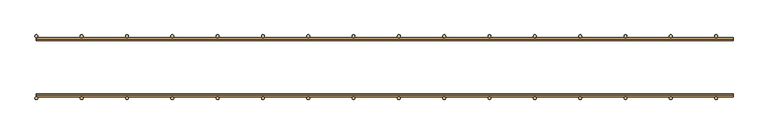
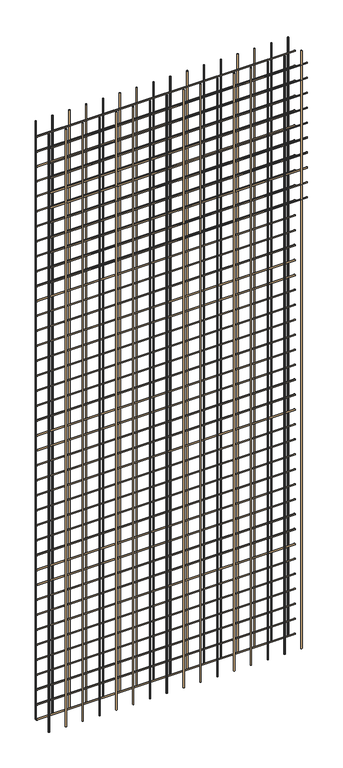
"""IFC4 building model written with IfcOpenShell, lengths in millimetres: door geometry."""

from ifc_helpers import new_model, si_unit, point, frame, frame_2d, origin, origin_with_axes, place, context, project, spatial, circle_curve, trimmed, segment, composite_curve, outline, extrude, source, transform, mapped, element, save


def door_e09a92c0(model_context):
    return source(origin(), model_context, "Body", "SweptSolid", [
        extrude(outline(composite_curve([segment(trimmed(circle_curve(frame_2d((600.0, 54.9288767)), 2.4876096), [point((602.4876096, 54.9288767))], [point((597.5123904, 54.9288767))], False, "CARTESIAN"), True, "CONTINUOUS"), segment(trimmed(circle_curve(frame_2d((600.0, 54.9288767)), 2.4876096), [point((597.5123904, 54.9288767))], [point((602.4876096, 54.9288767))], False, "CARTESIAN"), True, "CONTINUOUS")], self_intersect=False)), origin_with_axes(), (0.0, 0.0, 1.0), 3000.0),
        extrude(outline(composite_curve([segment(trimmed(circle_curve(frame_2d((520.0, 54.9288767)), 2.4876096), [point((522.4876096, 54.9288767))], [point((517.5123904, 54.9288767))], False, "CARTESIAN"), True, "CONTINUOUS"), segment(trimmed(circle_curve(frame_2d((520.0, 54.9288767)), 2.4876096), [point((517.5123904, 54.9288767))], [point((522.4876096, 54.9288767))], False, "CARTESIAN"), True, "CONTINUOUS")], self_intersect=False)), origin_with_axes(), (0.0, 0.0, 1.0), 3000.0),
        extrude(outline(composite_curve([segment(trimmed(circle_curve(frame_2d((440.0, 54.9288767)), 2.4876096), [point((442.4876096, 54.9288767))], [point((437.5123904, 54.9288767))], False, "CARTESIAN"), True, "CONTINUOUS"), segment(trimmed(circle_curve(frame_2d((440.0, 54.9288767)), 2.4876096), [point((437.5123904, 54.9288767))], [point((442.4876096, 54.9288767))], False, "CARTESIAN"), True, "CONTINUOUS")], self_intersect=False)), origin_with_axes(), (0.0, 0.0, 1.0), 3000.0),
        extrude(outline(composite_curve([segment(trimmed(circle_curve(frame_2d((360.0, 54.9288767)), 2.4876096), [point((362.4876096, 54.9288767))], [point((357.5123904, 54.9288767))], False, "CARTESIAN"), True, "CONTINUOUS"), segment(trimmed(circle_curve(frame_2d((360.0, 54.9288767)), 2.4876096), [point((357.5123904, 54.9288767))], [point((362.4876096, 54.9288767))], False, "CARTESIAN"), True, "CONTINUOUS")], self_intersect=False)), origin_with_axes(), (0.0, 0.0, 1.0), 3000.0),
        extrude(outline(composite_curve([segment(trimmed(circle_curve(frame_2d((280.0, 54.9288767)), 2.4876096), [point((282.4876096, 54.9288767))], [point((277.5123904, 54.9288767))], False, "CARTESIAN"), True, "CONTINUOUS"), segment(trimmed(circle_curve(frame_2d((280.0, 54.9288767)), 2.4876096), [point((277.5123904, 54.9288767))], [point((282.4876096, 54.9288767))], False, "CARTESIAN"), True, "CONTINUOUS")], self_intersect=False)), origin_with_axes(), (0.0, 0.0, 1.0), 3000.0),
        extrude(outline(composite_curve([segment(trimmed(circle_curve(frame_2d((200.0, 54.9288767)), 2.4876096), [point((202.4876096, 54.9288767))], [point((197.5123904, 54.9288767))], False, "CARTESIAN"), True, "CONTINUOUS"), segment(trimmed(circle_curve(frame_2d((200.0, 54.9288767)), 2.4876096), [point((197.5123904, 54.9288767))], [point((202.4876096, 54.9288767))], False, "CARTESIAN"), True, "CONTINUOUS")], self_intersect=False)), origin_with_axes(), (0.0, 0.0, 1.0), 3000.0),
        extrude(outline(composite_curve([segment(trimmed(circle_curve(frame_2d((120.0, 54.9288767)), 2.4876096), [point((122.4876096, 54.9288767))], [point((117.5123904, 54.9288767))], False, "CARTESIAN"), True, "CONTINUOUS"), segment(trimmed(circle_curve(frame_2d((120.0, 54.9288767)), 2.4876096), [point((117.5123904, 54.9288767))], [point((122.4876096, 54.9288767))], False, "CARTESIAN"), True, "CONTINUOUS")], self_intersect=False)), origin_with_axes(), (0.0, 0.0, 1.0), 3000.0),
        extrude(outline(composite_curve([segment(trimmed(circle_curve(frame_2d((40.0, 54.9288767)), 2.4876096), [point((42.4876096, 54.9288767))], [point((37.5123904, 54.9288767))], False, "CARTESIAN"), True, "CONTINUOUS"), segment(trimmed(circle_curve(frame_2d((40.0, 54.9288767)), 2.4876096), [point((37.5123904, 54.9288767))], [point((42.4876096, 54.9288767))], False, "CARTESIAN"), True, "CONTINUOUS")], self_intersect=False)), origin_with_axes(), (0.0, 0.0, 1.0), 3000.0),
        extrude(outline(composite_curve([segment(trimmed(circle_curve(frame_2d((-40.0, 54.9288767)), 2.4876096), [point((-37.5123904, 54.9288767))], [point((-42.4876096, 54.9288767))], False, "CARTESIAN"), True, "CONTINUOUS"), segment(trimmed(circle_curve(frame_2d((-40.0, 54.9288767)), 2.4876096), [point((-42.4876096, 54.9288767))], [point((-37.5123904, 54.9288767))], False, "CARTESIAN"), True, "CONTINUOUS")], self_intersect=False)), origin_with_axes(), (0.0, 0.0, 1.0), 3000.0),
        extrude(outline(composite_curve([segment(trimmed(circle_curve(frame_2d((-120.0, 54.9288767)), 2.4876096), [point((-117.5123904, 54.9288767))], [point((-122.4876096, 54.9288767))], False, "CARTESIAN"), True, "CONTINUOUS"), segment(trimmed(circle_curve(frame_2d((-120.0, 54.9288767)), 2.4876096), [point((-122.4876096, 54.9288767))], [point((-117.5123904, 54.9288767))], False, "CARTESIAN"), True, "CONTINUOUS")], self_intersect=False)), origin_with_axes(), (0.0, 0.0, 1.0), 3000.0),
        extrude(outline(composite_curve([segment(trimmed(circle_curve(frame_2d((-200.0, 54.9288767)), 2.4876096), [point((-197.5123904, 54.9288767))], [point((-202.4876096, 54.9288767))], False, "CARTESIAN"), True, "CONTINUOUS"), segment(trimmed(circle_curve(frame_2d((-200.0, 54.9288767)), 2.4876096), [point((-202.4876096, 54.9288767))], [point((-197.5123904, 54.9288767))], False, "CARTESIAN"), True, "CONTINUOUS")], self_intersect=False)), origin_with_axes(), (0.0, 0.0, 1.0), 3000.0),
        extrude(outline(composite_curve([segment(trimmed(circle_curve(frame_2d((-280.0, 54.9288767)), 2.4876096), [point((-277.5123904, 54.9288767))], [point((-282.4876096, 54.9288767))], False, "CARTESIAN"), True, "CONTINUOUS"), segment(trimmed(circle_curve(frame_2d((-280.0, 54.9288767)), 2.4876096), [point((-282.4876096, 54.9288767))], [point((-277.5123904, 54.9288767))], False, "CARTESIAN"), True, "CONTINUOUS")], self_intersect=False)), origin_with_axes(), (0.0, 0.0, 1.0), 3000.0),
        extrude(outline(composite_curve([segment(trimmed(circle_curve(frame_2d((-360.0, 54.9288767)), 2.4876096), [point((-357.5123904, 54.9288767))], [point((-362.4876096, 54.9288767))], False, "CARTESIAN"), True, "CONTINUOUS"), segment(trimmed(circle_curve(frame_2d((-360.0, 54.9288767)), 2.4876096), [point((-362.4876096, 54.9288767))], [point((-357.5123904, 54.9288767))], False, "CARTESIAN"), True, "CONTINUOUS")], self_intersect=False)), origin_with_axes(), (0.0, 0.0, 1.0), 3000.0),
        extrude(outline(composite_curve([segment(trimmed(circle_curve(frame_2d((-440.0, 54.9288767)), 2.4876096), [point((-437.5123904, 54.9288767))], [point((-442.4876096, 54.9288767))], False, "CARTESIAN"), True, "CONTINUOUS"), segment(trimmed(circle_curve(frame_2d((-440.0, 54.9288767)), 2.4876096), [point((-442.4876096, 54.9288767))], [point((-437.5123904, 54.9288767))], False, "CARTESIAN"), True, "CONTINUOUS")], self_intersect=False)), origin_with_axes(), (0.0, 0.0, 1.0), 3000.0),
        extrude(outline(composite_curve([segment(trimmed(circle_curve(frame_2d((-520.0, 54.9288767)), 2.4876096), [point((-517.5123904, 54.9288767))], [point((-522.4876096, 54.9288767))], False, "CARTESIAN"), True, "CONTINUOUS"), segment(trimmed(circle_curve(frame_2d((-520.0, 54.9288767)), 2.4876096), [point((-522.4876096, 54.9288767))], [point((-517.5123904, 54.9288767))], False, "CARTESIAN"), True, "CONTINUOUS")], self_intersect=False)), origin_with_axes(), (0.0, 0.0, 1.0), 3000.0),
        extrude(outline(composite_curve([segment(trimmed(circle_curve(frame_2d((-600.0, 54.9288767)), 2.4876096), [point((-597.5123904, 54.9288767))], [point((-602.4876096, 54.9288767))], False, "CARTESIAN"), True, "CONTINUOUS"), segment(trimmed(circle_curve(frame_2d((-600.0, 54.9288767)), 2.4876096), [point((-602.4876096, 54.9288767))], [point((-597.5123904, 54.9288767))], False, "CARTESIAN"), True, "CONTINUOUS")], self_intersect=False)), origin_with_axes(), (0.0, 0.0, 1.0), 3000.0),
        extrude(outline(composite_curve([segment(trimmed(circle_curve(frame_2d((49.9536574, 2925.0)), 2.4876096), [point((49.9536574, 2922.5123904))], [point((49.9536574, 2927.4876096))], False, "CARTESIAN"), True, "CONTINUOUS"), segment(trimmed(circle_curve(frame_2d((49.9536574, 2925.0)), 2.4876096), [point((49.9536574, 2927.4876096))], [point((49.9536574, 2922.5123904))], False, "CARTESIAN"), True, "CONTINUOUS")], self_intersect=False)), frame((-600.0, 0.0, 0.0), z_axis=(1.0, 0.0, 0.0), x_axis=(0.0, 1.0, 0.0)), (0.0, 0.0, 1.0), 1230.0),
        extrude(outline(composite_curve([segment(trimmed(circle_curve(frame_2d((49.9536574, 2850.0)), 2.4876096), [point((49.9536574, 2847.5123904))], [point((49.9536574, 2852.4876096))], False, "CARTESIAN"), True, "CONTINUOUS"), segment(trimmed(circle_curve(frame_2d((49.9536574, 2850.0)), 2.4876096), [point((49.9536574, 2852.4876096))], [point((49.9536574, 2847.5123904))], False, "CARTESIAN"), True, "CONTINUOUS")], self_intersect=False)), frame((-600.0, 0.0, 0.0), z_axis=(1.0, 0.0, 0.0), x_axis=(0.0, 1.0, 0.0)), (0.0, 0.0, 1.0), 1230.0),
        extrude(outline(composite_curve([segment(trimmed(circle_curve(frame_2d((49.9536574, 2775.0)), 2.4876096), [point((49.9536574, 2772.5123904))], [point((49.9536574, 2777.4876096))], False, "CARTESIAN"), True, "CONTINUOUS"), segment(trimmed(circle_curve(frame_2d((49.9536574, 2775.0)), 2.4876096), [point((49.9536574, 2777.4876096))], [point((49.9536574, 2772.5123904))], False, "CARTESIAN"), True, "CONTINUOUS")], self_intersect=False)), frame((-600.0, 0.0, 0.0), z_axis=(1.0, 0.0, 0.0), x_axis=(0.0, 1.0, 0.0)), (0.0, 0.0, 1.0), 1230.0),
        extrude(outline(composite_curve([segment(trimmed(circle_curve(frame_2d((49.9536574, 2700.0)), 2.4876096), [point((49.9536574, 2697.5123904))], [point((49.9536574, 2702.4876096))], False, "CARTESIAN"), True, "CONTINUOUS"), segment(trimmed(circle_curve(frame_2d((49.9536574, 2700.0)), 2.4876096), [point((49.9536574, 2702.4876096))], [point((49.9536574, 2697.5123904))], False, "CARTESIAN"), True, "CONTINUOUS")], self_intersect=False)), frame((-600.0, 0.0, 0.0), z_axis=(1.0, 0.0, 0.0), x_axis=(0.0, 1.0, 0.0)), (0.0, 0.0, 1.0), 1230.0),
        extrude(outline(composite_curve([segment(trimmed(circle_curve(frame_2d((49.9536574, 2625.0)), 2.4876096), [point((49.9536574, 2622.5123904))], [point((49.9536574, 2627.4876096))], False, "CARTESIAN"), True, "CONTINUOUS"), segment(trimmed(circle_curve(frame_2d((49.9536574, 2625.0)), 2.4876096), [point((49.9536574, 2627.4876096))], [point((49.9536574, 2622.5123904))], False, "CARTESIAN"), True, "CONTINUOUS")], self_intersect=False)), frame((-600.0, 0.0, 0.0), z_axis=(1.0, 0.0, 0.0), x_axis=(0.0, 1.0, 0.0)), (0.0, 0.0, 1.0), 1230.0),
        extrude(outline(composite_curve([segment(trimmed(circle_curve(frame_2d((49.9536574, 2550.0)), 2.4876096), [point((49.9536574, 2547.5123904))], [point((49.9536574, 2552.4876096))], False, "CARTESIAN"), True, "CONTINUOUS"), segment(trimmed(circle_curve(frame_2d((49.9536574, 2550.0)), 2.4876096), [point((49.9536574, 2552.4876096))], [point((49.9536574, 2547.5123904))], False, "CARTESIAN"), True, "CONTINUOUS")], self_intersect=False)), frame((-600.0, 0.0, 0.0), z_axis=(1.0, 0.0, 0.0), x_axis=(0.0, 1.0, 0.0)), (0.0, 0.0, 1.0), 1230.0),
        extrude(outline(composite_curve([segment(trimmed(circle_curve(frame_2d((49.9536574, 2475.0)), 2.4876096), [point((49.9536574, 2472.5123904))], [point((49.9536574, 2477.4876096))], False, "CARTESIAN"), True, "CONTINUOUS"), segment(trimmed(circle_curve(frame_2d((49.9536574, 2475.0)), 2.4876096), [point((49.9536574, 2477.4876096))], [point((49.9536574, 2472.5123904))], False, "CARTESIAN"), True, "CONTINUOUS")], self_intersect=False)), frame((-600.0, 0.0, 0.0), z_axis=(1.0, 0.0, 0.0), x_axis=(0.0, 1.0, 0.0)), (0.0, 0.0, 1.0), 1230.0),
        extrude(outline(composite_curve([segment(trimmed(circle_curve(frame_2d((49.9536574, 2400.0)), 2.4876096), [point((49.9536574, 2397.5123904))], [point((49.9536574, 2402.4876096))], False, "CARTESIAN"), True, "CONTINUOUS"), segment(trimmed(circle_curve(frame_2d((49.9536574, 2400.0)), 2.4876096), [point((49.9536574, 2402.4876096))], [point((49.9536574, 2397.5123904))], False, "CARTESIAN"), True, "CONTINUOUS")], self_intersect=False)), frame((-600.0, 0.0, 0.0), z_axis=(1.0, 0.0, 0.0), x_axis=(0.0, 1.0, 0.0)), (0.0, 0.0, 1.0), 1230.0),
        extrude(outline(composite_curve([segment(trimmed(circle_curve(frame_2d((49.9536574, 2325.0)), 2.4876096), [point((49.9536574, 2322.5123904))], [point((49.9536574, 2327.4876096))], False, "CARTESIAN"), True, "CONTINUOUS"), segment(trimmed(circle_curve(frame_2d((49.9536574, 2325.0)), 2.4876096), [point((49.9536574, 2327.4876096))], [point((49.9536574, 2322.5123904))], False, "CARTESIAN"), True, "CONTINUOUS")], self_intersect=False)), frame((-600.0, 0.0, 0.0), z_axis=(1.0, 0.0, 0.0), x_axis=(0.0, 1.0, 0.0)), (0.0, 0.0, 1.0), 1230.0),
        extrude(outline(composite_curve([segment(trimmed(circle_curve(frame_2d((49.9536574, 2250.0)), 2.4876096), [point((49.9536574, 2247.5123904))], [point((49.9536574, 2252.4876096))], False, "CARTESIAN"), True, "CONTINUOUS"), segment(trimmed(circle_curve(frame_2d((49.9536574, 2250.0)), 2.4876096), [point((49.9536574, 2252.4876096))], [point((49.9536574, 2247.5123904))], False, "CARTESIAN"), True, "CONTINUOUS")], self_intersect=False)), frame((-600.0, 0.0, 0.0), z_axis=(1.0, 0.0, 0.0), x_axis=(0.0, 1.0, 0.0)), (0.0, 0.0, 1.0), 1230.0),
        extrude(outline(composite_curve([segment(trimmed(circle_curve(frame_2d((49.9536574, 2175.0)), 2.4876096), [point((49.9536574, 2172.5123904))], [point((49.9536574, 2177.4876096))], False, "CARTESIAN"), True, "CONTINUOUS"), segment(trimmed(circle_curve(frame_2d((49.9536574, 2175.0)), 2.4876096), [point((49.9536574, 2177.4876096))], [point((49.9536574, 2172.5123904))], False, "CARTESIAN"), True, "CONTINUOUS")], self_intersect=False)), frame((-600.0, 0.0, 0.0), z_axis=(1.0, 0.0, 0.0), x_axis=(0.0, 1.0, 0.0)), (0.0, 0.0, 1.0), 1230.0),
        extrude(outline(composite_curve([segment(trimmed(circle_curve(frame_2d((49.9536574, 2100.0)), 2.4876096), [point((49.9536574, 2097.5123904))], [point((49.9536574, 2102.4876096))], False, "CARTESIAN"), True, "CONTINUOUS"), segment(trimmed(circle_curve(frame_2d((49.9536574, 2100.0)), 2.4876096), [point((49.9536574, 2102.4876096))], [point((49.9536574, 2097.5123904))], False, "CARTESIAN"), True, "CONTINUOUS")], self_intersect=False)), frame((-600.0, 0.0, 0.0), z_axis=(1.0, 0.0, 0.0), x_axis=(0.0, 1.0, 0.0)), (0.0, 0.0, 1.0), 1230.0),
        extrude(outline(composite_curve([segment(trimmed(circle_curve(frame_2d((49.9536574, 2025.0)), 2.4876096), [point((49.9536574, 2022.5123904))], [point((49.9536574, 2027.4876096))], False, "CARTESIAN"), True, "CONTINUOUS"), segment(trimmed(circle_curve(frame_2d((49.9536574, 2025.0)), 2.4876096), [point((49.9536574, 2027.4876096))], [point((49.9536574, 2022.5123904))], False, "CARTESIAN"), True, "CONTINUOUS")], self_intersect=False)), frame((-600.0, 0.0, 0.0), z_axis=(1.0, 0.0, 0.0), x_axis=(0.0, 1.0, 0.0)), (0.0, 0.0, 1.0), 1230.0),
        extrude(outline(composite_curve([segment(trimmed(circle_curve(frame_2d((49.9536574, 1950.0)), 2.4876096), [point((49.9536574, 1947.5123904))], [point((49.9536574, 1952.4876096))], False, "CARTESIAN"), True, "CONTINUOUS"), segment(trimmed(circle_curve(frame_2d((49.9536574, 1950.0)), 2.4876096), [point((49.9536574, 1952.4876096))], [point((49.9536574, 1947.5123904))], False, "CARTESIAN"), True, "CONTINUOUS")], self_intersect=False)), frame((-600.0, 0.0, 0.0), z_axis=(1.0, 0.0, 0.0), x_axis=(0.0, 1.0, 0.0)), (0.0, 0.0, 1.0), 1230.0),
        extrude(outline(composite_curve([segment(trimmed(circle_curve(frame_2d((49.9536574, 1875.0)), 2.4876096), [point((49.9536574, 1872.5123904))], [point((49.9536574, 1877.4876096))], False, "CARTESIAN"), True, "CONTINUOUS"), segment(trimmed(circle_curve(frame_2d((49.9536574, 1875.0)), 2.4876096), [point((49.9536574, 1877.4876096))], [point((49.9536574, 1872.5123904))], False, "CARTESIAN"), True, "CONTINUOUS")], self_intersect=False)), frame((-600.0, 0.0, 0.0), z_axis=(1.0, 0.0, 0.0), x_axis=(0.0, 1.0, 0.0)), (0.0, 0.0, 1.0), 1230.0),
        extrude(outline(composite_curve([segment(trimmed(circle_curve(frame_2d((49.9536574, 1800.0)), 2.4876096), [point((49.9536574, 1797.5123904))], [point((49.9536574, 1802.4876096))], False, "CARTESIAN"), True, "CONTINUOUS"), segment(trimmed(circle_curve(frame_2d((49.9536574, 1800.0)), 2.4876096), [point((49.9536574, 1802.4876096))], [point((49.9536574, 1797.5123904))], False, "CARTESIAN"), True, "CONTINUOUS")], self_intersect=False)), frame((-600.0, 0.0, 0.0), z_axis=(1.0, 0.0, 0.0), x_axis=(0.0, 1.0, 0.0)), (0.0, 0.0, 1.0), 1230.0),
        extrude(outline(composite_curve([segment(trimmed(circle_curve(frame_2d((49.9536574, 1725.0)), 2.4876096), [point((49.9536574, 1722.5123904))], [point((49.9536574, 1727.4876096))], False, "CARTESIAN"), True, "CONTINUOUS"), segment(trimmed(circle_curve(frame_2d((49.9536574, 1725.0)), 2.4876096), [point((49.9536574, 1727.4876096))], [point((49.9536574, 1722.5123904))], False, "CARTESIAN"), True, "CONTINUOUS")], self_intersect=False)), frame((-600.0, 0.0, 0.0), z_axis=(1.0, 0.0, 0.0), x_axis=(0.0, 1.0, 0.0)), (0.0, 0.0, 1.0), 1230.0),
        extrude(outline(composite_curve([segment(trimmed(circle_curve(frame_2d((49.9536574, 1650.0)), 2.4876096), [point((49.9536574, 1647.5123904))], [point((49.9536574, 1652.4876096))], False, "CARTESIAN"), True, "CONTINUOUS"), segment(trimmed(circle_curve(frame_2d((49.9536574, 1650.0)), 2.4876096), [point((49.9536574, 1652.4876096))], [point((49.9536574, 1647.5123904))], False, "CARTESIAN"), True, "CONTINUOUS")], self_intersect=False)), frame((-600.0, 0.0, 0.0), z_axis=(1.0, 0.0, 0.0), x_axis=(0.0, 1.0, 0.0)), (0.0, 0.0, 1.0), 1230.0),
        extrude(outline(composite_curve([segment(trimmed(circle_curve(frame_2d((49.9536574, 1575.0)), 2.4876096), [point((49.9536574, 1572.5123904))], [point((49.9536574, 1577.4876096))], False, "CARTESIAN"), True, "CONTINUOUS"), segment(trimmed(circle_curve(frame_2d((49.9536574, 1575.0)), 2.4876096), [point((49.9536574, 1577.4876096))], [point((49.9536574, 1572.5123904))], False, "CARTESIAN"), True, "CONTINUOUS")], self_intersect=False)), frame((-600.0, 0.0, 0.0), z_axis=(1.0, 0.0, 0.0), x_axis=(0.0, 1.0, 0.0)), (0.0, 0.0, 1.0), 1230.0),
        extrude(outline(composite_curve([segment(trimmed(circle_curve(frame_2d((49.9536574, 1500.0)), 2.4876096), [point((49.9536574, 1497.5123904))], [point((49.9536574, 1502.4876096))], False, "CARTESIAN"), True, "CONTINUOUS"), segment(trimmed(circle_curve(frame_2d((49.9536574, 1500.0)), 2.4876096), [point((49.9536574, 1502.4876096))], [point((49.9536574, 1497.5123904))], False, "CARTESIAN"), True, "CONTINUOUS")], self_intersect=False)), frame((-600.0, 0.0, 0.0), z_axis=(1.0, 0.0, 0.0), x_axis=(0.0, 1.0, 0.0)), (0.0, 0.0, 1.0), 1230.0),
        extrude(outline(composite_curve([segment(trimmed(circle_curve(frame_2d((49.9536574, 1425.0)), 2.4876096), [point((49.9536574, 1422.5123904))], [point((49.9536574, 1427.4876096))], False, "CARTESIAN"), True, "CONTINUOUS"), segment(trimmed(circle_curve(frame_2d((49.9536574, 1425.0)), 2.4876096), [point((49.9536574, 1427.4876096))], [point((49.9536574, 1422.5123904))], False, "CARTESIAN"), True, "CONTINUOUS")], self_intersect=False)), frame((-600.0, 0.0, 0.0), z_axis=(1.0, 0.0, 0.0), x_axis=(0.0, 1.0, 0.0)), (0.0, 0.0, 1.0), 1230.0),
        extrude(outline(composite_curve([segment(trimmed(circle_curve(frame_2d((49.9536574, 1350.0)), 2.4876096), [point((49.9536574, 1347.5123904))], [point((49.9536574, 1352.4876096))], False, "CARTESIAN"), True, "CONTINUOUS"), segment(trimmed(circle_curve(frame_2d((49.9536574, 1350.0)), 2.4876096), [point((49.9536574, 1352.4876096))], [point((49.9536574, 1347.5123904))], False, "CARTESIAN"), True, "CONTINUOUS")], self_intersect=False)), frame((-600.0, 0.0, 0.0), z_axis=(1.0, 0.0, 0.0), x_axis=(0.0, 1.0, 0.0)), (0.0, 0.0, 1.0), 1230.0),
        extrude(outline(composite_curve([segment(trimmed(circle_curve(frame_2d((49.9536574, 1275.0)), 2.4876096), [point((49.9536574, 1272.5123904))], [point((49.9536574, 1277.4876096))], False, "CARTESIAN"), True, "CONTINUOUS"), segment(trimmed(circle_curve(frame_2d((49.9536574, 1275.0)), 2.4876096), [point((49.9536574, 1277.4876096))], [point((49.9536574, 1272.5123904))], False, "CARTESIAN"), True, "CONTINUOUS")], self_intersect=False)), frame((-600.0, 0.0, 0.0), z_axis=(1.0, 0.0, 0.0), x_axis=(0.0, 1.0, 0.0)), (0.0, 0.0, 1.0), 1230.0),
        extrude(outline(composite_curve([segment(trimmed(circle_curve(frame_2d((49.9536574, 1200.0)), 2.4876096), [point((49.9536574, 1197.5123904))], [point((49.9536574, 1202.4876096))], False, "CARTESIAN"), True, "CONTINUOUS"), segment(trimmed(circle_curve(frame_2d((49.9536574, 1200.0)), 2.4876096), [point((49.9536574, 1202.4876096))], [point((49.9536574, 1197.5123904))], False, "CARTESIAN"), True, "CONTINUOUS")], self_intersect=False)), frame((-600.0, 0.0, 0.0), z_axis=(1.0, 0.0, 0.0), x_axis=(0.0, 1.0, 0.0)), (0.0, 0.0, 1.0), 1230.0),
        extrude(outline(composite_curve([segment(trimmed(circle_curve(frame_2d((49.9536574, 1125.0)), 2.4876096), [point((49.9536574, 1122.5123904))], [point((49.9536574, 1127.4876096))], False, "CARTESIAN"), True, "CONTINUOUS"), segment(trimmed(circle_curve(frame_2d((49.9536574, 1125.0)), 2.4876096), [point((49.9536574, 1127.4876096))], [point((49.9536574, 1122.5123904))], False, "CARTESIAN"), True, "CONTINUOUS")], self_intersect=False)), frame((-600.0, 0.0, 0.0), z_axis=(1.0, 0.0, 0.0), x_axis=(0.0, 1.0, 0.0)), (0.0, 0.0, 1.0), 1230.0),
        extrude(outline(composite_curve([segment(trimmed(circle_curve(frame_2d((49.9536574, 1050.0)), 2.4876096), [point((49.9536574, 1047.5123904))], [point((49.9536574, 1052.4876096))], False, "CARTESIAN"), True, "CONTINUOUS"), segment(trimmed(circle_curve(frame_2d((49.9536574, 1050.0)), 2.4876096), [point((49.9536574, 1052.4876096))], [point((49.9536574, 1047.5123904))], False, "CARTESIAN"), True, "CONTINUOUS")], self_intersect=False)), frame((-600.0, 0.0, 0.0), z_axis=(1.0, 0.0, 0.0), x_axis=(0.0, 1.0, 0.0)), (0.0, 0.0, 1.0), 1230.0),
        extrude(outline(composite_curve([segment(trimmed(circle_curve(frame_2d((49.9536574, 975.0)), 2.4876096), [point((49.9536574, 972.5123904))], [point((49.9536574, 977.4876096))], False, "CARTESIAN"), True, "CONTINUOUS"), segment(trimmed(circle_curve(frame_2d((49.9536574, 975.0)), 2.4876096), [point((49.9536574, 977.4876096))], [point((49.9536574, 972.5123904))], False, "CARTESIAN"), True, "CONTINUOUS")], self_intersect=False)), frame((-600.0, 0.0, 0.0), z_axis=(1.0, 0.0, 0.0), x_axis=(0.0, 1.0, 0.0)), (0.0, 0.0, 1.0), 1230.0),
        extrude(outline(composite_curve([segment(trimmed(circle_curve(frame_2d((49.9536574, 900.0)), 2.4876096), [point((49.9536574, 897.5123904))], [point((49.9536574, 902.4876096))], False, "CARTESIAN"), True, "CONTINUOUS"), segment(trimmed(circle_curve(frame_2d((49.9536574, 900.0)), 2.4876096), [point((49.9536574, 902.4876096))], [point((49.9536574, 897.5123904))], False, "CARTESIAN"), True, "CONTINUOUS")], self_intersect=False)), frame((-600.0, 0.0, 0.0), z_axis=(1.0, 0.0, 0.0), x_axis=(0.0, 1.0, 0.0)), (0.0, 0.0, 1.0), 1230.0),
        extrude(outline(composite_curve([segment(trimmed(circle_curve(frame_2d((49.9536574, 825.0)), 2.4876096), [point((49.9536574, 822.5123904))], [point((49.9536574, 827.4876096))], False, "CARTESIAN"), True, "CONTINUOUS"), segment(trimmed(circle_curve(frame_2d((49.9536574, 825.0)), 2.4876096), [point((49.9536574, 827.4876096))], [point((49.9536574, 822.5123904))], False, "CARTESIAN"), True, "CONTINUOUS")], self_intersect=False)), frame((-600.0, 0.0, 0.0), z_axis=(1.0, 0.0, 0.0), x_axis=(0.0, 1.0, 0.0)), (0.0, 0.0, 1.0), 1230.0),
        extrude(outline(composite_curve([segment(trimmed(circle_curve(frame_2d((49.9536574, 750.0)), 2.4876096), [point((49.9536574, 747.5123904))], [point((49.9536574, 752.4876096))], False, "CARTESIAN"), True, "CONTINUOUS"), segment(trimmed(circle_curve(frame_2d((49.9536574, 750.0)), 2.4876096), [point((49.9536574, 752.4876096))], [point((49.9536574, 747.5123904))], False, "CARTESIAN"), True, "CONTINUOUS")], self_intersect=False)), frame((-600.0, 0.0, 0.0), z_axis=(1.0, 0.0, 0.0), x_axis=(0.0, 1.0, 0.0)), (0.0, 0.0, 1.0), 1230.0),
        extrude(outline(composite_curve([segment(trimmed(circle_curve(frame_2d((49.9536574, 675.0)), 2.4876096), [point((49.9536574, 672.5123904))], [point((49.9536574, 677.4876096))], False, "CARTESIAN"), True, "CONTINUOUS"), segment(trimmed(circle_curve(frame_2d((49.9536574, 675.0)), 2.4876096), [point((49.9536574, 677.4876096))], [point((49.9536574, 672.5123904))], False, "CARTESIAN"), True, "CONTINUOUS")], self_intersect=False)), frame((-600.0, 0.0, 0.0), z_axis=(1.0, 0.0, 0.0), x_axis=(0.0, 1.0, 0.0)), (0.0, 0.0, 1.0), 1230.0),
        extrude(outline(composite_curve([segment(trimmed(circle_curve(frame_2d((49.9536574, 600.0)), 2.4876096), [point((49.9536574, 597.5123904))], [point((49.9536574, 602.4876096))], False, "CARTESIAN"), True, "CONTINUOUS"), segment(trimmed(circle_curve(frame_2d((49.9536574, 600.0)), 2.4876096), [point((49.9536574, 602.4876096))], [point((49.9536574, 597.5123904))], False, "CARTESIAN"), True, "CONTINUOUS")], self_intersect=False)), frame((-600.0, 0.0, 0.0), z_axis=(1.0, 0.0, 0.0), x_axis=(0.0, 1.0, 0.0)), (0.0, 0.0, 1.0), 1230.0),
        extrude(outline(composite_curve([segment(trimmed(circle_curve(frame_2d((49.9536574, 525.0)), 2.4876096), [point((49.9536574, 522.5123904))], [point((49.9536574, 527.4876096))], False, "CARTESIAN"), True, "CONTINUOUS"), segment(trimmed(circle_curve(frame_2d((49.9536574, 525.0)), 2.4876096), [point((49.9536574, 527.4876096))], [point((49.9536574, 522.5123904))], False, "CARTESIAN"), True, "CONTINUOUS")], self_intersect=False)), frame((-600.0, 0.0, 0.0), z_axis=(1.0, 0.0, 0.0), x_axis=(0.0, 1.0, 0.0)), (0.0, 0.0, 1.0), 1230.0),
        extrude(outline(composite_curve([segment(trimmed(circle_curve(frame_2d((49.9536574, 450.0)), 2.4876096), [point((49.9536574, 447.5123904))], [point((49.9536574, 452.4876096))], False, "CARTESIAN"), True, "CONTINUOUS"), segment(trimmed(circle_curve(frame_2d((49.9536574, 450.0)), 2.4876096), [point((49.9536574, 452.4876096))], [point((49.9536574, 447.5123904))], False, "CARTESIAN"), True, "CONTINUOUS")], self_intersect=False)), frame((-600.0, 0.0, 0.0), z_axis=(1.0, 0.0, 0.0), x_axis=(0.0, 1.0, 0.0)), (0.0, 0.0, 1.0), 1230.0),
        extrude(outline(composite_curve([segment(trimmed(circle_curve(frame_2d((49.9536574, 375.0)), 2.4876096), [point((49.9536574, 372.5123904))], [point((49.9536574, 377.4876096))], False, "CARTESIAN"), True, "CONTINUOUS"), segment(trimmed(circle_curve(frame_2d((49.9536574, 375.0)), 2.4876096), [point((49.9536574, 377.4876096))], [point((49.9536574, 372.5123904))], False, "CARTESIAN"), True, "CONTINUOUS")], self_intersect=False)), frame((-600.0, 0.0, 0.0), z_axis=(1.0, 0.0, 0.0), x_axis=(0.0, 1.0, 0.0)), (0.0, 0.0, 1.0), 1230.0),
        extrude(outline(composite_curve([segment(trimmed(circle_curve(frame_2d((49.9536574, 300.0)), 2.4876096), [point((49.9536574, 297.5123904))], [point((49.9536574, 302.4876096))], False, "CARTESIAN"), True, "CONTINUOUS"), segment(trimmed(circle_curve(frame_2d((49.9536574, 300.0)), 2.4876096), [point((49.9536574, 302.4876096))], [point((49.9536574, 297.5123904))], False, "CARTESIAN"), True, "CONTINUOUS")], self_intersect=False)), frame((-600.0, 0.0, 0.0), z_axis=(1.0, 0.0, 0.0), x_axis=(0.0, 1.0, 0.0)), (0.0, 0.0, 1.0), 1230.0),
        extrude(outline(composite_curve([segment(trimmed(circle_curve(frame_2d((49.9536574, 225.0)), 2.4876096), [point((49.9536574, 222.5123904))], [point((49.9536574, 227.4876096))], False, "CARTESIAN"), True, "CONTINUOUS"), segment(trimmed(circle_curve(frame_2d((49.9536574, 225.0)), 2.4876096), [point((49.9536574, 227.4876096))], [point((49.9536574, 222.5123904))], False, "CARTESIAN"), True, "CONTINUOUS")], self_intersect=False)), frame((-600.0, 0.0, 0.0), z_axis=(1.0, 0.0, 0.0), x_axis=(0.0, 1.0, 0.0)), (0.0, 0.0, 1.0), 1230.0),
        extrude(outline(composite_curve([segment(trimmed(circle_curve(frame_2d((49.9536574, 150.0)), 2.4876096), [point((49.9536574, 147.5123904))], [point((49.9536574, 152.4876096))], False, "CARTESIAN"), True, "CONTINUOUS"), segment(trimmed(circle_curve(frame_2d((49.9536574, 150.0)), 2.4876096), [point((49.9536574, 152.4876096))], [point((49.9536574, 147.5123904))], False, "CARTESIAN"), True, "CONTINUOUS")], self_intersect=False)), frame((-600.0, 0.0, 0.0), z_axis=(1.0, 0.0, 0.0), x_axis=(0.0, 1.0, 0.0)), (0.0, 0.0, 1.0), 1230.0),
        extrude(outline(composite_curve([segment(trimmed(circle_curve(frame_2d((49.9536574, 75.0)), 2.4876096), [point((49.9536574, 72.5123904))], [point((49.9536574, 77.4876096))], False, "CARTESIAN"), True, "CONTINUOUS"), segment(trimmed(circle_curve(frame_2d((49.9536574, 75.0)), 2.4876096), [point((49.9536574, 77.4876096))], [point((49.9536574, 72.5123904))], False, "CARTESIAN"), True, "CONTINUOUS")], self_intersect=False)), frame((-600.0, 0.0, 0.0), z_axis=(1.0, 0.0, 0.0), x_axis=(0.0, 1.0, 0.0)), (0.0, 0.0, 1.0), 1230.0),
        extrude(outline(composite_curve([segment(trimmed(circle_curve(frame_2d((49.9536574, 0.0)), 2.4876096), [point((49.9536574, -2.4876096))], [point((49.9536574, 2.4876096))], False, "CARTESIAN"), True, "CONTINUOUS"), segment(trimmed(circle_curve(frame_2d((49.9536574, 0.0)), 2.4876096), [point((49.9536574, 2.4876096))], [point((49.9536574, -2.4876096))], False, "CARTESIAN"), True, "CONTINUOUS")], self_intersect=False)), frame((-600.0, 0.0, 0.0), z_axis=(1.0, 0.0, 0.0), x_axis=(0.0, 1.0, 0.0)), (0.0, 0.0, 1.0), 1230.0),
        extrude(outline(composite_curve([segment(trimmed(circle_curve(frame_2d((600.0, -54.9288767)), 2.4876096), [point((602.4876096, -54.9288767))], [point((597.5123904, -54.9288767))], False, "CARTESIAN"), True, "CONTINUOUS"), segment(trimmed(circle_curve(frame_2d((600.0, -54.9288767)), 2.4876096), [point((597.5123904, -54.9288767))], [point((602.4876096, -54.9288767))], False, "CARTESIAN"), True, "CONTINUOUS")], self_intersect=False)), origin_with_axes(), (0.0, 0.0, 1.0), 3000.0),
        extrude(outline(composite_curve([segment(trimmed(circle_curve(frame_2d((520.0, -54.9288767)), 2.4876096), [point((522.4876096, -54.9288767))], [point((517.5123904, -54.9288767))], False, "CARTESIAN"), True, "CONTINUOUS"), segment(trimmed(circle_curve(frame_2d((520.0, -54.9288767)), 2.4876096), [point((517.5123904, -54.9288767))], [point((522.4876096, -54.9288767))], False, "CARTESIAN"), True, "CONTINUOUS")], self_intersect=False)), origin_with_axes(), (0.0, 0.0, 1.0), 3000.0),
        extrude(outline(composite_curve([segment(trimmed(circle_curve(frame_2d((440.0, -54.9288767)), 2.4876096), [point((442.4876096, -54.9288767))], [point((437.5123904, -54.9288767))], False, "CARTESIAN"), True, "CONTINUOUS"), segment(trimmed(circle_curve(frame_2d((440.0, -54.9288767)), 2.4876096), [point((437.5123904, -54.9288767))], [point((442.4876096, -54.9288767))], False, "CARTESIAN"), True, "CONTINUOUS")], self_intersect=False)), origin_with_axes(), (0.0, 0.0, 1.0), 3000.0),
        extrude(outline(composite_curve([segment(trimmed(circle_curve(frame_2d((360.0, -54.9288767)), 2.4876096), [point((362.4876096, -54.9288767))], [point((357.5123904, -54.9288767))], False, "CARTESIAN"), True, "CONTINUOUS"), segment(trimmed(circle_curve(frame_2d((360.0, -54.9288767)), 2.4876096), [point((357.5123904, -54.9288767))], [point((362.4876096, -54.9288767))], False, "CARTESIAN"), True, "CONTINUOUS")], self_intersect=False)), origin_with_axes(), (0.0, 0.0, 1.0), 3000.0),
        extrude(outline(composite_curve([segment(trimmed(circle_curve(frame_2d((280.0, -54.9288767)), 2.4876096), [point((282.4876096, -54.9288767))], [point((277.5123904, -54.9288767))], False, "CARTESIAN"), True, "CONTINUOUS"), segment(trimmed(circle_curve(frame_2d((280.0, -54.9288767)), 2.4876096), [point((277.5123904, -54.9288767))], [point((282.4876096, -54.9288767))], False, "CARTESIAN"), True, "CONTINUOUS")], self_intersect=False)), origin_with_axes(), (0.0, 0.0, 1.0), 3000.0),
        extrude(outline(composite_curve([segment(trimmed(circle_curve(frame_2d((200.0, -54.9288767)), 2.4876096), [point((202.4876096, -54.9288767))], [point((197.5123904, -54.9288767))], False, "CARTESIAN"), True, "CONTINUOUS"), segment(trimmed(circle_curve(frame_2d((200.0, -54.9288767)), 2.4876096), [point((197.5123904, -54.9288767))], [point((202.4876096, -54.9288767))], False, "CARTESIAN"), True, "CONTINUOUS")], self_intersect=False)), origin_with_axes(), (0.0, 0.0, 1.0), 3000.0),
        extrude(outline(composite_curve([segment(trimmed(circle_curve(frame_2d((120.0, -54.9288767)), 2.4876096), [point((122.4876096, -54.9288767))], [point((117.5123904, -54.9288767))], False, "CARTESIAN"), True, "CONTINUOUS"), segment(trimmed(circle_curve(frame_2d((120.0, -54.9288767)), 2.4876096), [point((117.5123904, -54.9288767))], [point((122.4876096, -54.9288767))], False, "CARTESIAN"), True, "CONTINUOUS")], self_intersect=False)), origin_with_axes(), (0.0, 0.0, 1.0), 3000.0),
        extrude(outline(composite_curve([segment(trimmed(circle_curve(frame_2d((40.0, -54.9288767)), 2.4876096), [point((42.4876096, -54.9288767))], [point((37.5123904, -54.9288767))], False, "CARTESIAN"), True, "CONTINUOUS"), segment(trimmed(circle_curve(frame_2d((40.0, -54.9288767)), 2.4876096), [point((37.5123904, -54.9288767))], [point((42.4876096, -54.9288767))], False, "CARTESIAN"), True, "CONTINUOUS")], self_intersect=False)), origin_with_axes(), (0.0, 0.0, 1.0), 3000.0),
        extrude(outline(composite_curve([segment(trimmed(circle_curve(frame_2d((-40.0, -54.9288767)), 2.4876096), [point((-37.5123904, -54.9288767))], [point((-42.4876096, -54.9288767))], False, "CARTESIAN"), True, "CONTINUOUS"), segment(trimmed(circle_curve(frame_2d((-40.0, -54.9288767)), 2.4876096), [point((-42.4876096, -54.9288767))], [point((-37.5123904, -54.9288767))], False, "CARTESIAN"), True, "CONTINUOUS")], self_intersect=False)), origin_with_axes(), (0.0, 0.0, 1.0), 3000.0),
        extrude(outline(composite_curve([segment(trimmed(circle_curve(frame_2d((-120.0, -54.9288767)), 2.4876096), [point((-117.5123904, -54.9288767))], [point((-122.4876096, -54.9288767))], False, "CARTESIAN"), True, "CONTINUOUS"), segment(trimmed(circle_curve(frame_2d((-120.0, -54.9288767)), 2.4876096), [point((-122.4876096, -54.9288767))], [point((-117.5123904, -54.9288767))], False, "CARTESIAN"), True, "CONTINUOUS")], self_intersect=False)), origin_with_axes(), (0.0, 0.0, 1.0), 3000.0),
        extrude(outline(composite_curve([segment(trimmed(circle_curve(frame_2d((-200.0, -54.9288767)), 2.4876096), [point((-197.5123904, -54.9288767))], [point((-202.4876096, -54.9288767))], False, "CARTESIAN"), True, "CONTINUOUS"), segment(trimmed(circle_curve(frame_2d((-200.0, -54.9288767)), 2.4876096), [point((-202.4876096, -54.9288767))], [point((-197.5123904, -54.9288767))], False, "CARTESIAN"), True, "CONTINUOUS")], self_intersect=False)), origin_with_axes(), (0.0, 0.0, 1.0), 3000.0),
        extrude(outline(composite_curve([segment(trimmed(circle_curve(frame_2d((-280.0, -54.9288767)), 2.4876096), [point((-277.5123904, -54.9288767))], [point((-282.4876096, -54.9288767))], False, "CARTESIAN"), True, "CONTINUOUS"), segment(trimmed(circle_curve(frame_2d((-280.0, -54.9288767)), 2.4876096), [point((-282.4876096, -54.9288767))], [point((-277.5123904, -54.9288767))], False, "CARTESIAN"), True, "CONTINUOUS")], self_intersect=False)), origin_with_axes(), (0.0, 0.0, 1.0), 3000.0),
        extrude(outline(composite_curve([segment(trimmed(circle_curve(frame_2d((-360.0, -54.9288767)), 2.4876096), [point((-357.5123904, -54.9288767))], [point((-362.4876096, -54.9288767))], False, "CARTESIAN"), True, "CONTINUOUS"), segment(trimmed(circle_curve(frame_2d((-360.0, -54.9288767)), 2.4876096), [point((-362.4876096, -54.9288767))], [point((-357.5123904, -54.9288767))], False, "CARTESIAN"), True, "CONTINUOUS")], self_intersect=False)), origin_with_axes(), (0.0, 0.0, 1.0), 3000.0),
        extrude(outline(composite_curve([segment(trimmed(circle_curve(frame_2d((-440.0, -54.9288767)), 2.4876096), [point((-437.5123904, -54.9288767))], [point((-442.4876096, -54.9288767))], False, "CARTESIAN"), True, "CONTINUOUS"), segment(trimmed(circle_curve(frame_2d((-440.0, -54.9288767)), 2.4876096), [point((-442.4876096, -54.9288767))], [point((-437.5123904, -54.9288767))], False, "CARTESIAN"), True, "CONTINUOUS")], self_intersect=False)), origin_with_axes(), (0.0, 0.0, 1.0), 3000.0),
        extrude(outline(composite_curve([segment(trimmed(circle_curve(frame_2d((-520.0, -54.9288767)), 2.4876096), [point((-517.5123904, -54.9288767))], [point((-522.4876096, -54.9288767))], False, "CARTESIAN"), True, "CONTINUOUS"), segment(trimmed(circle_curve(frame_2d((-520.0, -54.9288767)), 2.4876096), [point((-522.4876096, -54.9288767))], [point((-517.5123904, -54.9288767))], False, "CARTESIAN"), True, "CONTINUOUS")], self_intersect=False)), origin_with_axes(), (0.0, 0.0, 1.0), 3000.0),
        extrude(outline(composite_curve([segment(trimmed(circle_curve(frame_2d((-600.0, -54.9288767)), 2.4876096), [point((-597.5123904, -54.9288767))], [point((-602.4876096, -54.9288767))], False, "CARTESIAN"), True, "CONTINUOUS"), segment(trimmed(circle_curve(frame_2d((-600.0, -54.9288767)), 2.4876096), [point((-602.4876096, -54.9288767))], [point((-597.5123904, -54.9288767))], False, "CARTESIAN"), True, "CONTINUOUS")], self_intersect=False)), origin_with_axes(), (0.0, 0.0, 1.0), 3000.0),
        extrude(outline(composite_curve([segment(trimmed(circle_curve(frame_2d((-49.9536574, 2925.0)), 2.4876096), [point((-49.9536574, 2922.5123904))], [point((-49.9536574, 2927.4876096))], False, "CARTESIAN"), True, "CONTINUOUS"), segment(trimmed(circle_curve(frame_2d((-49.9536574, 2925.0)), 2.4876096), [point((-49.9536574, 2927.4876096))], [point((-49.9536574, 2922.5123904))], False, "CARTESIAN"), True, "CONTINUOUS")], self_intersect=False)), frame((-600.0, 0.0, 0.0), z_axis=(1.0, 0.0, 0.0), x_axis=(0.0, 1.0, 0.0)), (0.0, 0.0, 1.0), 1230.0),
        extrude(outline(composite_curve([segment(trimmed(circle_curve(frame_2d((-49.9536574, 2850.0)), 2.4876096), [point((-49.9536574, 2847.5123904))], [point((-49.9536574, 2852.4876096))], False, "CARTESIAN"), True, "CONTINUOUS"), segment(trimmed(circle_curve(frame_2d((-49.9536574, 2850.0)), 2.4876096), [point((-49.9536574, 2852.4876096))], [point((-49.9536574, 2847.5123904))], False, "CARTESIAN"), True, "CONTINUOUS")], self_intersect=False)), frame((-600.0, 0.0, 0.0), z_axis=(1.0, 0.0, 0.0), x_axis=(0.0, 1.0, 0.0)), (0.0, 0.0, 1.0), 1230.0),
        extrude(outline(composite_curve([segment(trimmed(circle_curve(frame_2d((-49.9536574, 2775.0)), 2.4876096), [point((-49.9536574, 2772.5123904))], [point((-49.9536574, 2777.4876096))], False, "CARTESIAN"), True, "CONTINUOUS"), segment(trimmed(circle_curve(frame_2d((-49.9536574, 2775.0)), 2.4876096), [point((-49.9536574, 2777.4876096))], [point((-49.9536574, 2772.5123904))], False, "CARTESIAN"), True, "CONTINUOUS")], self_intersect=False)), frame((-600.0, 0.0, 0.0), z_axis=(1.0, 0.0, 0.0), x_axis=(0.0, 1.0, 0.0)), (0.0, 0.0, 1.0), 1230.0),
        extrude(outline(composite_curve([segment(trimmed(circle_curve(frame_2d((-49.9536574, 2700.0)), 2.4876096), [point((-49.9536574, 2697.5123904))], [point((-49.9536574, 2702.4876096))], False, "CARTESIAN"), True, "CONTINUOUS"), segment(trimmed(circle_curve(frame_2d((-49.9536574, 2700.0)), 2.4876096), [point((-49.9536574, 2702.4876096))], [point((-49.9536574, 2697.5123904))], False, "CARTESIAN"), True, "CONTINUOUS")], self_intersect=False)), frame((-600.0, 0.0, 0.0), z_axis=(1.0, 0.0, 0.0), x_axis=(0.0, 1.0, 0.0)), (0.0, 0.0, 1.0), 1230.0),
        extrude(outline(composite_curve([segment(trimmed(circle_curve(frame_2d((-49.9536574, 2625.0)), 2.4876096), [point((-49.9536574, 2622.5123904))], [point((-49.9536574, 2627.4876096))], False, "CARTESIAN"), True, "CONTINUOUS"), segment(trimmed(circle_curve(frame_2d((-49.9536574, 2625.0)), 2.4876096), [point((-49.9536574, 2627.4876096))], [point((-49.9536574, 2622.5123904))], False, "CARTESIAN"), True, "CONTINUOUS")], self_intersect=False)), frame((-600.0, 0.0, 0.0), z_axis=(1.0, 0.0, 0.0), x_axis=(0.0, 1.0, 0.0)), (0.0, 0.0, 1.0), 1230.0),
        extrude(outline(composite_curve([segment(trimmed(circle_curve(frame_2d((-49.9536574, 2550.0)), 2.4876096), [point((-49.9536574, 2547.5123904))], [point((-49.9536574, 2552.4876096))], False, "CARTESIAN"), True, "CONTINUOUS"), segment(trimmed(circle_curve(frame_2d((-49.9536574, 2550.0)), 2.4876096), [point((-49.9536574, 2552.4876096))], [point((-49.9536574, 2547.5123904))], False, "CARTESIAN"), True, "CONTINUOUS")], self_intersect=False)), frame((-600.0, 0.0, 0.0), z_axis=(1.0, 0.0, 0.0), x_axis=(0.0, 1.0, 0.0)), (0.0, 0.0, 1.0), 1230.0),
        extrude(outline(composite_curve([segment(trimmed(circle_curve(frame_2d((-49.9536574, 2475.0)), 2.4876096), [point((-49.9536574, 2472.5123904))], [point((-49.9536574, 2477.4876096))], False, "CARTESIAN"), True, "CONTINUOUS"), segment(trimmed(circle_curve(frame_2d((-49.9536574, 2475.0)), 2.4876096), [point((-49.9536574, 2477.4876096))], [point((-49.9536574, 2472.5123904))], False, "CARTESIAN"), True, "CONTINUOUS")], self_intersect=False)), frame((-600.0, 0.0, 0.0), z_axis=(1.0, 0.0, 0.0), x_axis=(0.0, 1.0, 0.0)), (0.0, 0.0, 1.0), 1230.0),
        extrude(outline(composite_curve([segment(trimmed(circle_curve(frame_2d((-49.9536574, 2400.0)), 2.4876096), [point((-49.9536574, 2397.5123904))], [point((-49.9536574, 2402.4876096))], False, "CARTESIAN"), True, "CONTINUOUS"), segment(trimmed(circle_curve(frame_2d((-49.9536574, 2400.0)), 2.4876096), [point((-49.9536574, 2402.4876096))], [point((-49.9536574, 2397.5123904))], False, "CARTESIAN"), True, "CONTINUOUS")], self_intersect=False)), frame((-600.0, 0.0, 0.0), z_axis=(1.0, 0.0, 0.0), x_axis=(0.0, 1.0, 0.0)), (0.0, 0.0, 1.0), 1230.0),
        extrude(outline(composite_curve([segment(trimmed(circle_curve(frame_2d((-49.9536574, 2325.0)), 2.4876096), [point((-49.9536574, 2322.5123904))], [point((-49.9536574, 2327.4876096))], False, "CARTESIAN"), True, "CONTINUOUS"), segment(trimmed(circle_curve(frame_2d((-49.9536574, 2325.0)), 2.4876096), [point((-49.9536574, 2327.4876096))], [point((-49.9536574, 2322.5123904))], False, "CARTESIAN"), True, "CONTINUOUS")], self_intersect=False)), frame((-600.0, 0.0, 0.0), z_axis=(1.0, 0.0, 0.0), x_axis=(0.0, 1.0, 0.0)), (0.0, 0.0, 1.0), 1230.0),
        extrude(outline(composite_curve([segment(trimmed(circle_curve(frame_2d((-49.9536574, 2250.0)), 2.4876096), [point((-49.9536574, 2247.5123904))], [point((-49.9536574, 2252.4876096))], False, "CARTESIAN"), True, "CONTINUOUS"), segment(trimmed(circle_curve(frame_2d((-49.9536574, 2250.0)), 2.4876096), [point((-49.9536574, 2252.4876096))], [point((-49.9536574, 2247.5123904))], False, "CARTESIAN"), True, "CONTINUOUS")], self_intersect=False)), frame((-600.0, 0.0, 0.0), z_axis=(1.0, 0.0, 0.0), x_axis=(0.0, 1.0, 0.0)), (0.0, 0.0, 1.0), 1230.0),
    ])


if __name__ == "__main__":
    model = new_model("IFC4")
    model_context = context("Model", 3, world=origin())
    ifc_project = project(units=[si_unit("LENGTHUNIT", "METRE", prefix="MILLI")], contexts=[model_context])
    site = spatial("IfcSite", under=ifc_project)
    building = spatial("IfcBuilding", under=site)
    placement = place(None, origin())
    door_shape = door_e09a92c0(model_context)
    element("IfcDoor", 1, at=placement, inside=building, context=model_context, shape_type="MappedRepresentation", body=[
        mapped(door_shape, transform((0.0, 0.0, 0.0), x_axis=(1.0, 0.0, 0.0), y_axis=(0.0, 1.0, 0.0), z_axis=(0.0, 0.0, 1.0))),
    ])
    save(model, "model.ifc")
